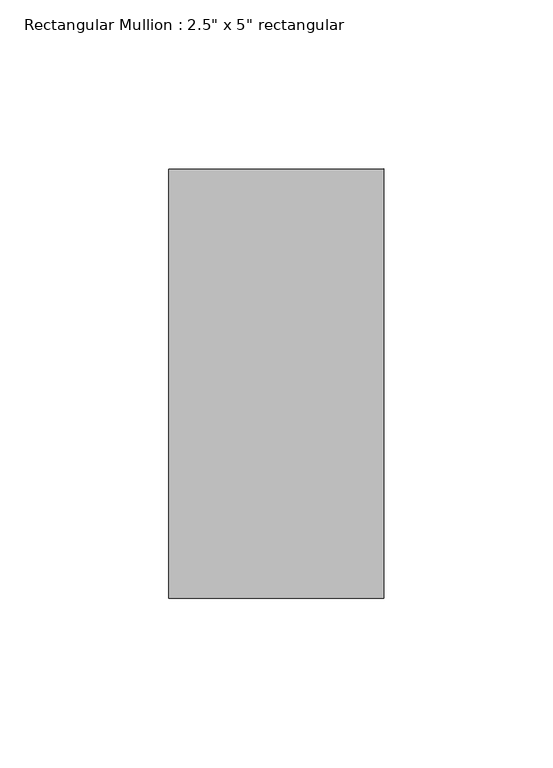
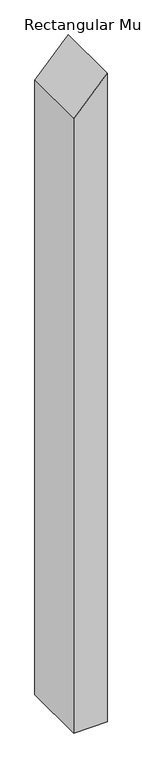
"""IFC4 building model written with IfcOpenShell, lengths in millimetres: member geometry."""

from ifc_helpers import new_model, si_unit, frame, origin, place, context, project, spatial, polyline, outline, extrude, source, transform, mapped, element, save


def member_ee1da642(model_context):
    return source(origin(), model_context, "Body", "SweptSolid", [
        extrude(outline(polyline([(0.0, 0.0), (-68.7151951, -63.5), (-1300.2256882, -63.5), (-1300.2256882, 0.0), (0.0, 0.0)])), frame((0.0, -63.5, 0.0), z_axis=(0.0, 1.0, 0.0), x_axis=(0.0, 0.0, 1.0)), (0.0, 0.0, 1.0), 127.0),
    ])


if __name__ == "__main__":
    model = new_model("IFC4")
    model_context = context("Model", 3, world=origin())
    ifc_project = project(units=[si_unit("LENGTHUNIT", "METRE", prefix="MILLI")], contexts=[model_context])
    site = spatial("IfcSite", under=ifc_project)
    building = spatial("IfcBuilding", under=site)
    placement = place(None, origin())
    member_shape = member_ee1da642(model_context)
    element("IfcMember", 1, ObjectType="Rectangular Mullion : 2.5\" x 5\" rectangular", at=placement, inside=building, context=model_context, shape_type="MappedRepresentation", body=[
        mapped(member_shape, transform((0.0, 0.0, 0.0), x_axis=(1.0, 0.0, 0.0), y_axis=(0.0, 1.0, 0.0), z_axis=(0.0, 0.0, 1.0))),
    ])
    save(model, "model.ifc")
